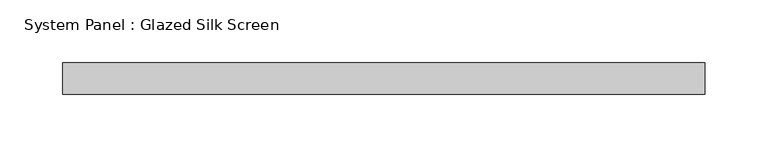
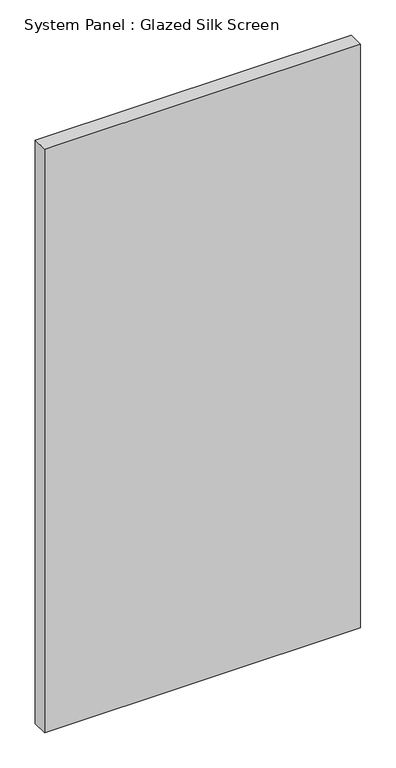
"""IFC4 building model written with IfcOpenShell, lengths in millimetres: plate geometry, System Panel : Glazed Silk Screen."""

from ifc_helpers import new_model, si_unit, origin, origin_with_axes, place, context, project, spatial, polyline, outline, extrude, source, transform, mapped, element, save


def system_panel_glazed_silk_screen_940f5d8e(model_context):
    return source(origin(), model_context, "Body", "SweptSolid", [
        extrude(outline(polyline([(257.1750248, 19.05), (-257.1750248, 19.05), (-257.1750248, 44.45), (257.1750248, 44.45), (257.1750248, 19.05)])), origin_with_axes(), (0.0, 0.0, 1.0), 1003.3),
    ])


if __name__ == "__main__":
    model = new_model("IFC4")
    model_context = context("Model", 3, world=origin())
    ifc_project = project(units=[si_unit("LENGTHUNIT", "METRE", prefix="MILLI")], contexts=[model_context])
    site = spatial("IfcSite", under=ifc_project)
    building = spatial("IfcBuilding", under=site)
    placement = place(None, origin())
    system_panel_glazed_silk_screen_shape = system_panel_glazed_silk_screen_940f5d8e(model_context)
    element("IfcPlate", 1, ObjectType="System Panel : Glazed Silk Screen", at=placement, inside=building, context=model_context, shape_type="MappedRepresentation", body=[
        mapped(system_panel_glazed_silk_screen_shape, transform((0.0, 0.0, 0.0), x_axis=(1.0, 0.0, 0.0), y_axis=(0.0, 1.0, 0.0), z_axis=(0.0, 0.0, 1.0))),
    ])
    save(model, "model.ifc")
